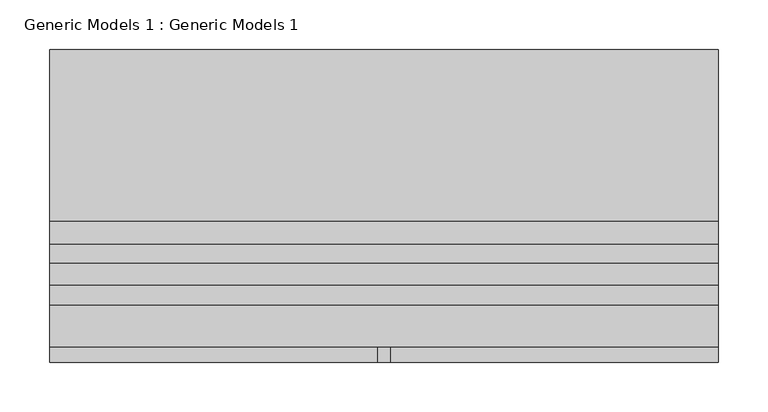
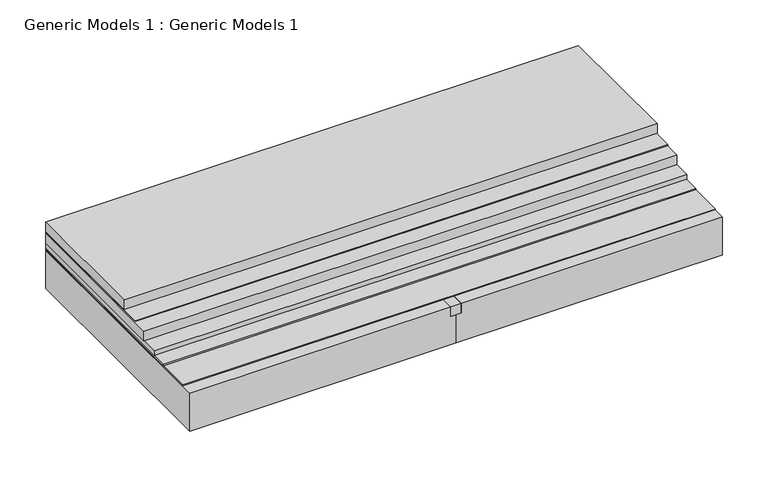
"""IFC4 building model written with IfcOpenShell, lengths in millimetres: proxy geometry, Generic Models 1 : Generic Models 1."""

from ifc_helpers import new_model, si_unit, frame, origin, place, context, project, spatial, polyline, outline, extrude, source, transform, mapped, element, save


def generic_models_1_generic_models_1_909a9e53(model_context):
    return source(origin(), model_context, "Body", "SweptSolid", [
        extrude(outline(polyline([(-285.75, 317.5), (387.35, 317.5), (387.35, 121.8136729), (-285.75, 121.8136729), (-285.75, 317.5)])), frame((0.0, 0.0, 211.4394326), z_axis=(0.0, 0.0, 1.0), x_axis=(1.0, 0.0, 0.0)), (0.0, 0.0, 1.0), 0.9652299),
        extrude(outline(polyline([(-285.75, 317.5), (387.35, 317.5), (387.35, 145.0193798), (-285.75, 145.0193798), (-285.75, 317.5)])), frame((0.0, 0.0, 213.4960687), z_axis=(0.0, 0.0, 1.0), x_axis=(1.0, 0.0, 0.0)), (0.0, 0.0, 1.0), 12.7),
        extrude(outline(polyline([(-285.75, 317.5), (387.35, 317.5), (387.35, 102.506632), (-285.75, 102.506632), (-285.75, 317.5)])), frame((0.0, 0.0, 197.64375), z_axis=(0.0, 0.0, 1.0), x_axis=(1.0, 0.0, 0.0)), (0.0, 0.0, 1.0), 12.7),
        extrude(outline(polyline([(-285.75, 317.5), (387.35, 317.5), (387.35, 80.3328189), (-285.75, 80.3328189), (-285.75, 317.5)])), frame((0.0, 0.0, 191.29375), z_axis=(0.0, 0.0, 1.0), x_axis=(1.0, 0.0, 0.0)), (0.0, 0.0, 1.0), 6.35),
        extrude(outline(polyline([(-285.75, 317.5), (387.35, 317.5), (387.35, 60.368829), (-285.75, 60.368829), (-285.75, 317.5)])), frame((0.0, 0.0, 189.70625), z_axis=(0.0, 0.0, 1.0), x_axis=(1.0, 0.0, 0.0)), (0.0, 0.0, 1.0), 1.5875),
        extrude(outline(polyline([(44.45, 317.5), (57.15, 317.5), (57.15, 2.38125), (44.45, 2.38125), (44.45, 317.5)])), frame((0.0, 0.0, 175.41875), z_axis=(0.0, 0.0, 1.0), x_axis=(1.0, 0.0, 0.0)), (0.0, 0.0, 1.0), 12.7),
        extrude(outline(polyline([(188.11875, -285.75), (137.31875, -285.75), (137.31875, 50.8), (175.41875, 50.8), (175.41875, 44.45), (188.11875, 44.45), (188.11875, -285.75)])), frame((0.0, 2.38125, 0.0), z_axis=(0.0, 1.0, 0.0), x_axis=(0.0, 0.0, 1.0)), (0.0, 0.0, 1.0), 315.11875),
        extrude(outline(polyline([(387.35, 17.8142958), (-285.75, 17.8142958), (-285.75, 317.5), (387.35, 317.5), (387.35, 17.8142958)])), frame((0.0, 0.0, 188.9125), z_axis=(0.0, 0.0, 1.0), x_axis=(1.0, 0.0, 0.0)), (0.0, 0.0, 1.0), 0.79375),
        extrude(outline(polyline([(188.11875, 387.35), (188.11875, 57.15), (175.41875, 57.15), (175.41875, 50.8), (137.31875, 50.8), (137.31875, 387.35), (188.11875, 387.35)])), frame((0.0, 2.38125, 0.0), z_axis=(0.0, 1.0, 0.0), x_axis=(0.0, 0.0, 1.0)), (0.0, 0.0, 1.0), 315.11875),
    ])


if __name__ == "__main__":
    model = new_model("IFC4")
    model_context = context("Model", 3, world=origin())
    ifc_project = project(units=[si_unit("LENGTHUNIT", "METRE", prefix="MILLI")], contexts=[model_context])
    site = spatial("IfcSite", under=ifc_project)
    building = spatial("IfcBuilding", under=site)
    placement = place(None, origin())
    generic_models_1_generic_models_1_shape = generic_models_1_generic_models_1_909a9e53(model_context)
    element("IfcBuildingElementProxy", 1, Name="Generic Models 1 : Generic Models 1", ObjectType="Generic Models 1 : Generic Models 1", at=placement, inside=building, context=model_context, shape_type="MappedRepresentation", body=[
        mapped(generic_models_1_generic_models_1_shape, transform((0.0, 0.0, 0.0), x_axis=(1.0, 0.0, 0.0), y_axis=(0.0, 1.0, 0.0), z_axis=(0.0, 0.0, 1.0))),
    ])
    save(model, "model.ifc")
